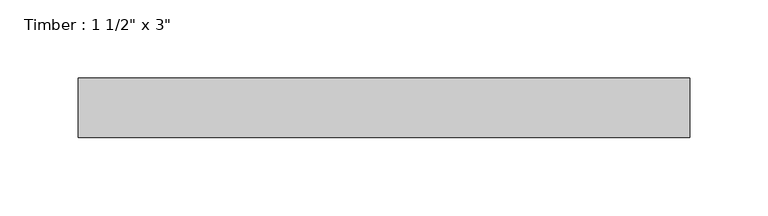
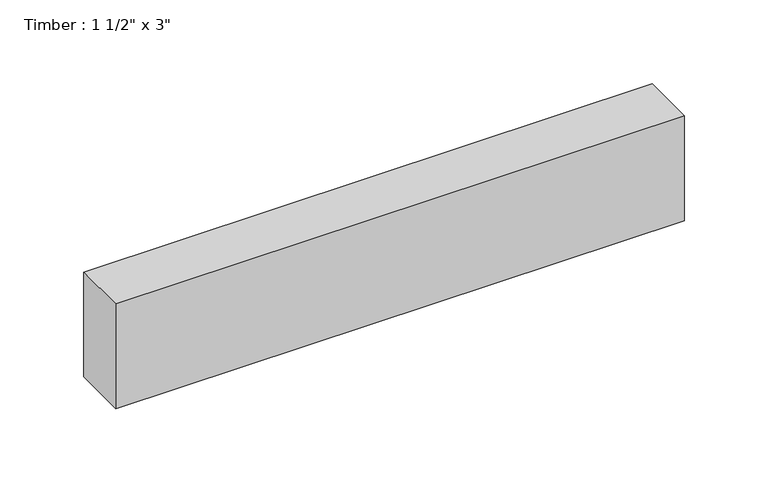
"""IFC4 building model written with IfcOpenShell, lengths in millimetres: beam geometry."""

from ifc_helpers import new_model, si_unit, frame, origin, place, context, project, spatial, polyline, outline, extrude, source, transform, mapped, element, save


def beam_f138e9c8(model_context):
    return source(origin(), model_context, "Body", "SweptSolid", [
        extrude(outline(polyline([(195.316386, 19.05), (195.316386, -19.05), (-195.316386, -19.05), (-195.316386, 19.05), (195.316386, 19.05)])), frame((0.0, 0.0, -38.1), z_axis=(0.0, 0.0, 1.0), x_axis=(1.0, 0.0, 0.0)), (0.0, 0.0, 1.0), 76.2),
    ])


if __name__ == "__main__":
    model = new_model("IFC4")
    model_context = context("Model", 3, world=origin())
    ifc_project = project(units=[si_unit("LENGTHUNIT", "METRE", prefix="MILLI")], contexts=[model_context])
    site = spatial("IfcSite", under=ifc_project)
    building = spatial("IfcBuilding", under=site)
    placement = place(None, origin())
    beam_shape = beam_f138e9c8(model_context)
    element("IfcBeam", 1, ObjectType="Timber : 1 1/2\" x 3\"", at=placement, inside=building, context=model_context, shape_type="MappedRepresentation", body=[
        mapped(beam_shape, transform((0.0, 0.0, 0.0), x_axis=(1.0, 0.0, 0.0), y_axis=(0.0, 1.0, 0.0), z_axis=(0.0, 0.0, 1.0))),
    ])
    save(model, "model.ifc")
